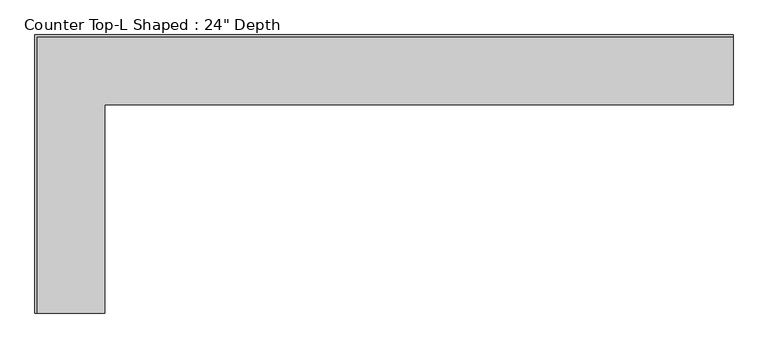
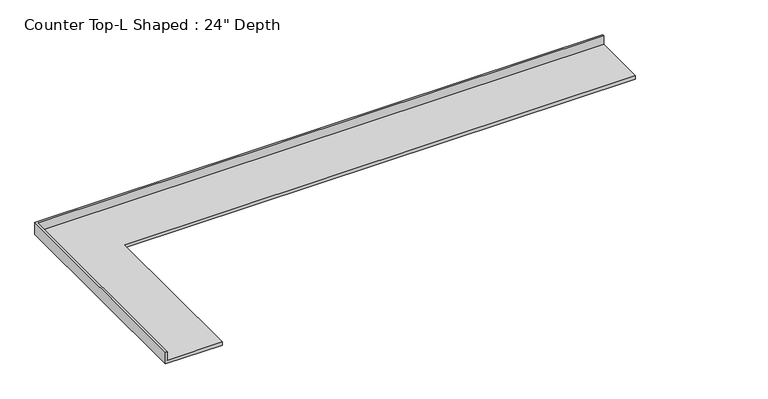
"""IFC4 building model written with IfcOpenShell, lengths in millimetres: furniture geometry."""

from ifc_helpers import new_model, si_unit, origin, place, context, project, spatial, faceted_brep, source, transform, mapped, element, save


def furniture_4bed5a64(model_context):
    return source(origin(), model_context, "Body", "Brep", [
        faceted_brep([(-565.4622951, -2535.9794382, 914.4), (-565.4622951, -635.0, 914.4), (5166.1955072, -635.0, 914.4), (5166.1955072, -19.05, 914.4), (-1181.4122951, -19.05, 914.4), (-1181.4122951, -2535.9794382, 914.4), (5166.1955072, 0.0, 876.3), (5166.1955072, -635.0, 876.3), (-565.4622951, -635.0, 876.3), (-565.4622951, -2535.9794382, 876.3), (-1200.4622951, -2535.9794382, 876.3), (-1200.4622951, 0.0, 876.3), (-1200.4622951, 0.0, 1016.0), (5166.1955072, 0.0, 1016.0), (-1200.4622951, -2535.9794382, 1016.0), (-1181.4122951, -2535.9794382, 1016.0), (5166.1955072, -19.05, 1016.0), (-1181.4122951, -19.05, 1016.0)], [[[0, 1, 2, 3, 4, 5]], [[6, 7, 8, 9, 10, 11]], [[6, 11, 12, 13]], [[11, 10, 14, 12]], [[14, 10, 9, 0, 5, 15]], [[1, 0, 9, 8]], [[2, 1, 8, 7]], [[7, 6, 13, 16, 3, 2]], [[12, 14, 15, 17, 16, 13]], [[3, 16, 17, 4]], [[17, 15, 5, 4]]]),
    ])


if __name__ == "__main__":
    model = new_model("IFC4")
    model_context = context("Model", 3, world=origin())
    ifc_project = project(units=[si_unit("LENGTHUNIT", "METRE", prefix="MILLI")], contexts=[model_context])
    site = spatial("IfcSite", under=ifc_project)
    building = spatial("IfcBuilding", under=site)
    placement = place(None, origin())
    furniture_shape = furniture_4bed5a64(model_context)
    element("IfcFurniture", 1, ObjectType="Counter Top-L Shaped : 24\" Depth", at=placement, inside=building, context=model_context, shape_type="MappedRepresentation", body=[
        mapped(furniture_shape, transform((0.0, 0.0, 0.0), x_axis=(1.0, 0.0, 0.0), y_axis=(0.0, 1.0, 0.0), z_axis=(0.0, 0.0, 1.0))),
    ])
    save(model, "model.ifc")
